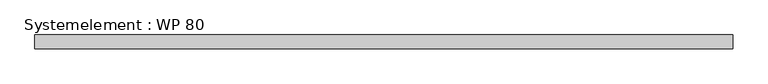
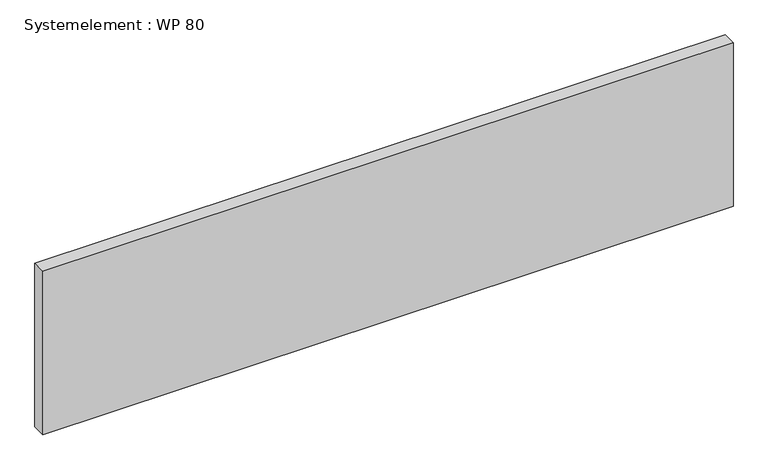
"""IFC4 building model written with IfcOpenShell, lengths in millimetres: plate geometry, Systemelement : WP 80."""

from ifc_helpers import new_model, si_unit, origin, origin_with_axes, place, context, project, spatial, polyline, outline, extrude, source, transform, mapped, element, save


def systemelement_wp_80_1003efa3(model_context):
    return source(origin(), model_context, "Body", "SweptSolid", [
        extrude(outline(polyline([(2000.0, -80.0), (-2000.0, -80.0), (-2000.0, 0.0), (2000.0, 0.0), (2000.0, -80.0)])), origin_with_axes(), (0.0, 0.0, 1.0), 1000.0),
    ])


if __name__ == "__main__":
    model = new_model("IFC4")
    model_context = context("Model", 3, world=origin())
    ifc_project = project(units=[si_unit("LENGTHUNIT", "METRE", prefix="MILLI")], contexts=[model_context])
    site = spatial("IfcSite", under=ifc_project)
    building = spatial("IfcBuilding", under=site)
    placement = place(None, origin())
    systemelement_wp_80_shape = systemelement_wp_80_1003efa3(model_context)
    element("IfcPlate", 1, ObjectType="Systemelement : WP 80", at=placement, inside=building, context=model_context, shape_type="MappedRepresentation", body=[
        mapped(systemelement_wp_80_shape, transform((0.0, 0.0, 0.0), x_axis=(1.0, 0.0, 0.0), y_axis=(0.0, 1.0, 0.0), z_axis=(0.0, 0.0, 1.0))),
    ])
    save(model, "model.ifc")
